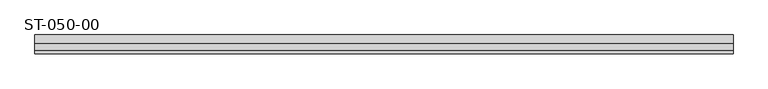
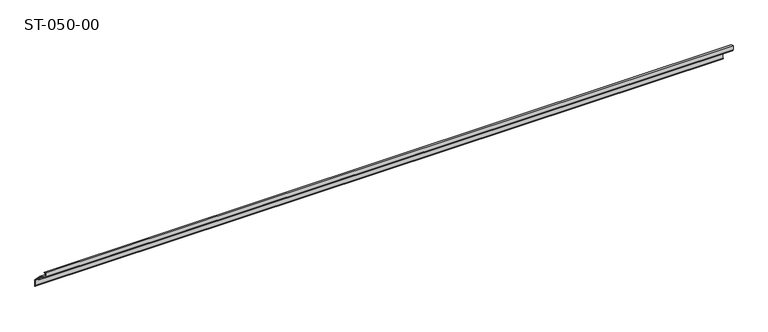
"""IFC4 building model written with IfcOpenShell, lengths in millimetres: plate geometry, ST-050-00."""

from ifc_helpers import new_model, si_unit, point, frame, frame_2d, origin, place, context, project, spatial, polyline, circle_curve, trimmed, segment, composite_curve, outline, extrude, source, transform, mapped, element, save


def st_050_00_ae455964(model_context):
    return source(origin(), model_context, "Body", "SweptSolid", [
        extrude(outline(composite_curve([segment(polyline([(22.3946828, -28.8862938), (20.6013876, -27.0929986), (21.9401513, -23.4831003), (2.5714193, -12.3005576), (1.3782013, -12.3005576), (0.0, -9.5826412), (0.0, 0.0), (6.5162801, -2.1172677), (5.9423798, -3.8835511), (1.4, -2.4076424), (1.4, -10.0076576), (3.6, -10.0076576), (3.8493498, -11.4217903), (23.283107, -22.6418753), (41.0, -40.3587683), (41.0, -55.5853362), (37.0312713, -52.2833915), (37.0312713, -50.9825424), (39.6, -53.1197004), (39.6, -40.9386673), (27.0, -28.3386673), (27.0, -31.1158484), (26.4535534, -32.0623217), (25.6, -31.7457736), (25.6, -29.6753217), (24.548431, -27.4202248), (24.1254706, -25.8417149), (22.3937391, -26.7198414), (22.6627494, -27.7238016)]), True, "CONTINUOUS"), segment(trimmed(circle_curve(frame_2d((21.4348706, -28.0528108)), 1.2711937), [point((22.6627494, -27.7238016))], [point((22.3946828, -28.8862938))], False, "CARTESIAN"), True, "CONTINUOUS")], self_intersect=False)), frame((-750.0, 0.0, 0.0), z_axis=(1.0, 0.0, 0.0), x_axis=(0.0, 1.0, 0.0)), (0.0, 0.0, 1.0), 1499.7321324),
    ])


if __name__ == "__main__":
    model = new_model("IFC4")
    model_context = context("Model", 3, world=origin())
    ifc_project = project(units=[si_unit("LENGTHUNIT", "METRE", prefix="MILLI")], contexts=[model_context])
    site = spatial("IfcSite", under=ifc_project)
    building = spatial("IfcBuilding", under=site)
    placement = place(None, origin())
    st_050_00_shape = st_050_00_ae455964(model_context)
    element("IfcPlate", 1, ObjectType="ST-050-00", at=placement, inside=building, context=model_context, shape_type="MappedRepresentation", body=[
        mapped(st_050_00_shape, transform((0.0, 0.0, 0.0), x_axis=(1.0, 0.0, 0.0), y_axis=(0.0, 1.0, 0.0), z_axis=(0.0, 0.0, 1.0))),
    ])
    save(model, "model.ifc")
